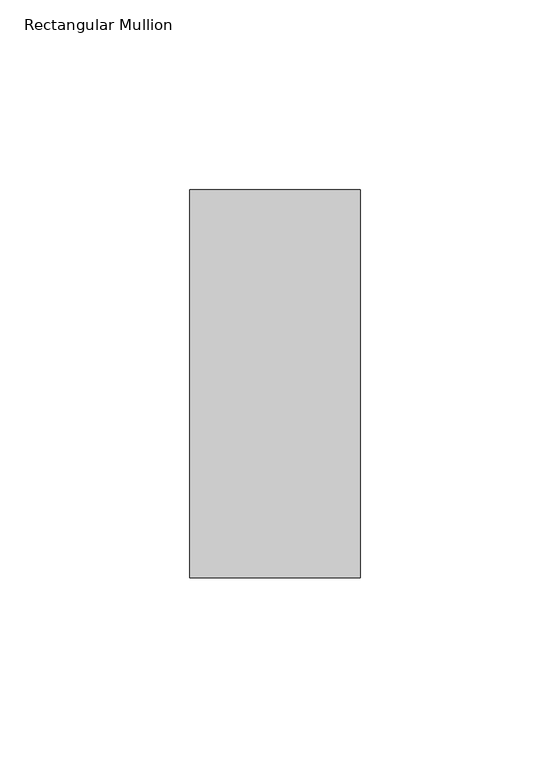
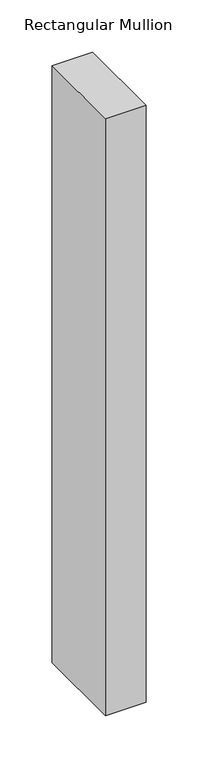
"""IFC4 building model written with IfcOpenShell, lengths in millimetres: member geometry, Rectangular Mullion."""

from ifc_helpers import new_model, si_unit, frame, origin, place, context, project, spatial, polyline, outline, extrude, source, transform, mapped, element, save


def rectangular_mullion_969ee446(model_context):
    return source(origin(), model_context, "Body", "SweptSolid", [
        extrude(outline(polyline([(-45.0, 66.73125), (0.0, 66.73125), (0.0, -35.73125), (-45.0, -35.73125), (-45.0, 66.73125)])), frame((0.0, 0.0, -699.1158203), z_axis=(0.0, 0.0, 1.0), x_axis=(1.0, 0.0, 0.0)), (0.0, 0.0, 1.0), 699.1158203),
    ])


if __name__ == "__main__":
    model = new_model("IFC4")
    model_context = context("Model", 3, world=origin())
    ifc_project = project(units=[si_unit("LENGTHUNIT", "METRE", prefix="MILLI")], contexts=[model_context])
    site = spatial("IfcSite", under=ifc_project)
    building = spatial("IfcBuilding", under=site)
    placement = place(None, origin())
    rectangular_mullion_shape = rectangular_mullion_969ee446(model_context)
    element("IfcMember", 1, ObjectType="Rectangular Mullion", at=placement, inside=building, context=model_context, shape_type="MappedRepresentation", body=[
        mapped(rectangular_mullion_shape, transform((0.0, 0.0, 0.0), x_axis=(1.0, 0.0, 0.0), y_axis=(0.0, 1.0, 0.0), z_axis=(0.0, 0.0, 1.0))),
    ])
    save(model, "model.ifc")
